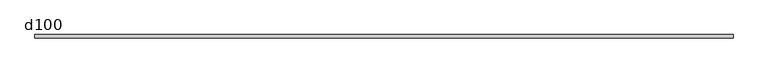
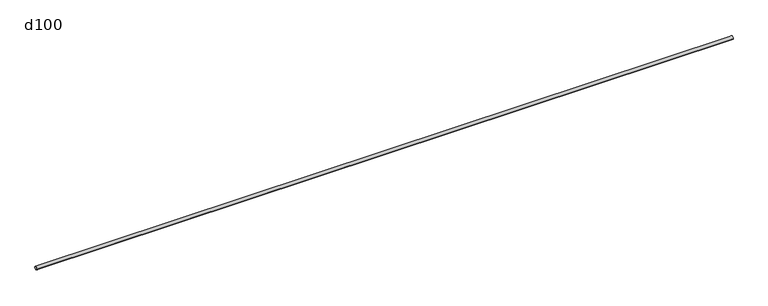
"""IFC4 building model written with IfcOpenShell, lengths in millimetres: beam geometry, d100."""

from ifc_helpers import new_model, si_unit, point, frame, origin, origin_2d, place, context, project, spatial, circle_curve, trimmed, segment, composite_curve, outline, extrude, source, transform, mapped, element, save


def d100_7f50e98a(model_context):
    return source(origin(), model_context, "Body", "SweptSolid", [
        extrude(outline(composite_curve([segment(trimmed(circle_curve(origin_2d(), 50.0), [point((-50.0, 0.0))], [point((50.0, 0.0))], False, "CARTESIAN"), True, "CONTINUOUS"), segment(trimmed(circle_curve(origin_2d(), 50.0), [point((50.0, 0.0))], [point((-50.0, 0.0))], False, "CARTESIAN"), True, "CONTINUOUS")], self_intersect=False)), frame((-10143.2706114, 0.0, 0.0), z_axis=(1.0, 0.0, 0.0), x_axis=(0.0, 1.0, 0.0)), (0.0, 0.0, 1.0), 20286.5412229),
    ])


if __name__ == "__main__":
    model = new_model("IFC4")
    model_context = context("Model", 3, world=origin())
    ifc_project = project(units=[si_unit("LENGTHUNIT", "METRE", prefix="MILLI")], contexts=[model_context])
    site = spatial("IfcSite", under=ifc_project)
    building = spatial("IfcBuilding", under=site)
    placement = place(None, origin())
    d100_shape = d100_7f50e98a(model_context)
    element("IfcBeam", 1, ObjectType="d100", at=placement, inside=building, context=model_context, shape_type="MappedRepresentation", body=[
        mapped(d100_shape, transform((0.0, 0.0, 0.0), x_axis=(1.0, 0.0, 0.0), y_axis=(0.0, 1.0, 0.0), z_axis=(0.0, 0.0, 1.0))),
    ])
    save(model, "model.ifc")
